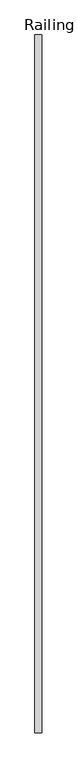
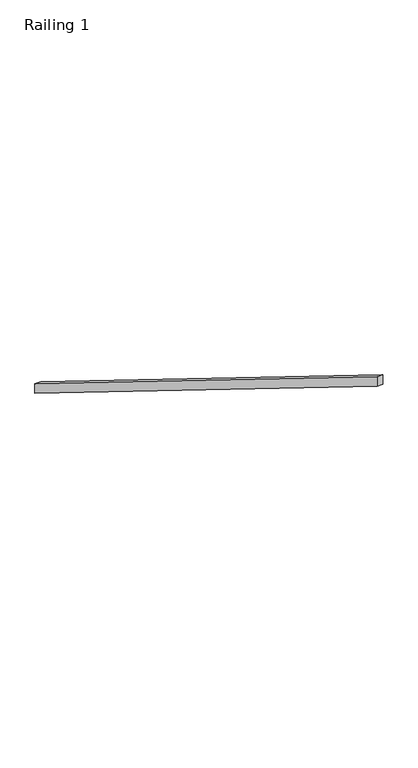
"""IFC4 building model written with IfcOpenShell, lengths in millimetres: railing geometry, Railing 1."""

from ifc_helpers import new_model, si_unit, frame, origin, place, context, project, spatial, polyline, outline, extrude, source, transform, mapped, element, save


def railing_1_094a5848(model_context):
    return source(origin(), model_context, "Body", "SweptSolid", [
        extrude(outline(polyline([(168780.5846581, 1228.4891807), (168780.5846581, 1138.891811), (163548.1846581, 4375.1603718), (163548.1846581, 4464.7577415), (168780.5846581, 1228.4891807)])), frame((220891.8728488, 0.0, 0.0), z_axis=(1.0, 0.0, 0.0), x_axis=(0.0, 1.0, 0.0)), (0.0, 0.0, 1.0), 50.8),
    ])


if __name__ == "__main__":
    model = new_model("IFC4")
    model_context = context("Model", 3, world=origin())
    ifc_project = project(units=[si_unit("LENGTHUNIT", "METRE", prefix="MILLI")], contexts=[model_context])
    site = spatial("IfcSite", under=ifc_project)
    building = spatial("IfcBuilding", under=site)
    placement = place(None, origin())
    railing_1_shape = railing_1_094a5848(model_context)
    element("IfcRailing", 1, ObjectType="Railing 1", at=placement, inside=building, context=model_context, shape_type="MappedRepresentation", body=[
        mapped(railing_1_shape, transform((0.0, 0.0, 0.0), x_axis=(1.0, 0.0, 0.0), y_axis=(0.0, 1.0, 0.0), z_axis=(0.0, 0.0, 1.0))),
    ])
    save(model, "model.ifc")
